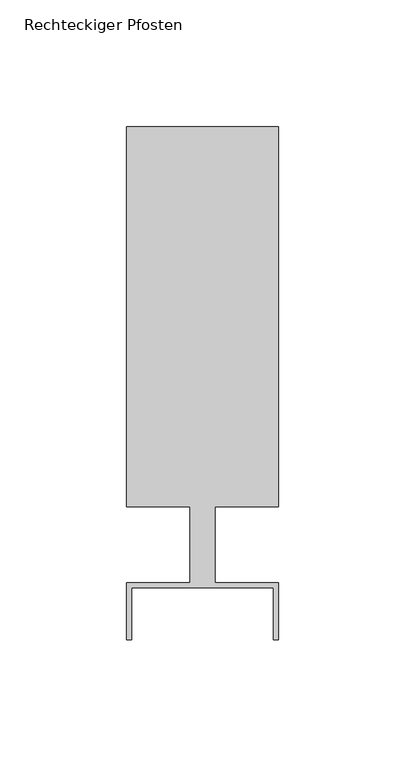
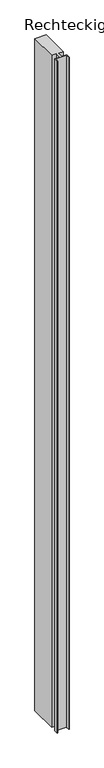
"""IFC4 building model written with IfcOpenShell, lengths in millimetres: member geometry, Rechteckiger Pfosten."""

from ifc_helpers import new_model, si_unit, frame, origin, place, context, project, spatial, polyline, outline, extrude, source, transform, mapped, element, save


def rechteckiger_pfosten_ef963eeb(model_context):
    return source(origin(), model_context, "Body", "SweptSolid", [
        extrude(outline(polyline([(28.0, -37.5), (28.0, -17.0), (-28.0, -17.0), (-28.0, -37.5), (-30.0, -37.5), (-30.0, -15.0), (-5.0, -15.0), (-5.0, 15.0), (-30.0, 15.0), (-30.0, 165.0), (30.0, 165.0), (30.0, 15.0), (5.0, 15.0), (5.0, -15.0), (30.0, -15.0), (30.0, -37.5), (28.0, -37.5)])), frame((0.0, 0.0, -3680.0), z_axis=(0.0, 0.0, 1.0), x_axis=(1.0, 0.0, 0.0)), (0.0, 0.0, 1.0), 3680.0),
    ])


if __name__ == "__main__":
    model = new_model("IFC4")
    model_context = context("Model", 3, world=origin())
    ifc_project = project(units=[si_unit("LENGTHUNIT", "METRE", prefix="MILLI")], contexts=[model_context])
    site = spatial("IfcSite", under=ifc_project)
    building = spatial("IfcBuilding", under=site)
    placement = place(None, origin())
    rechteckiger_pfosten_shape = rechteckiger_pfosten_ef963eeb(model_context)
    element("IfcMember", 1, ObjectType="Rechteckiger Pfosten", at=placement, inside=building, context=model_context, shape_type="MappedRepresentation", body=[
        mapped(rechteckiger_pfosten_shape, transform((0.0, 0.0, 0.0), x_axis=(1.0, 0.0, 0.0), y_axis=(0.0, 1.0, 0.0), z_axis=(0.0, 0.0, 1.0))),
    ])
    save(model, "model.ifc")
